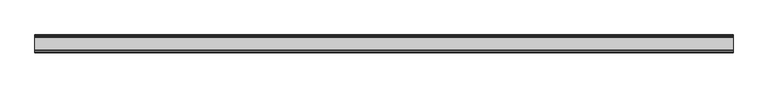
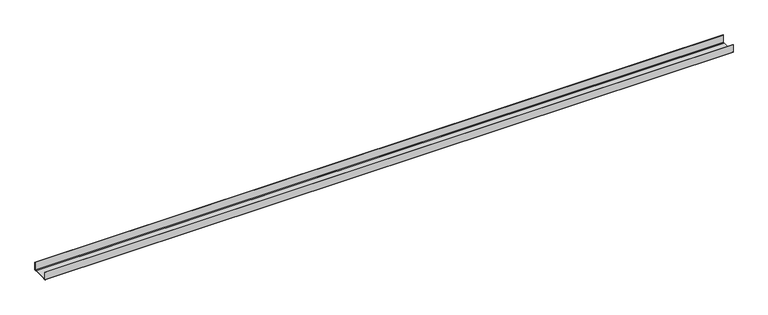
"""IFC4 building model written with IfcOpenShell, lengths in millimetres: proxy geometry."""

from ifc_helpers import new_model, si_unit, point, frame, frame_2d, origin, place, context, project, spatial, polyline, circle_curve, trimmed, segment, composite_curve, outline, extrude, source, transform, mapped, element, save


def generic_models_25d0476a(model_context):
    return source(origin(), model_context, "Body", "SweptSolid", [
        extrude(outline(composite_curve([segment(polyline([(37.25, 1.2), (37.25, 35.0), (38.05, 35.0), (38.05, 1.2)]), True, "CONTINUOUS"), segment(trimmed(circle_curve(frame_2d((36.75, 1.2)), 1.3), [point((38.05, 1.2))], [point((37.25, 0.0))], False, "CARTESIAN"), True, "CONTINUOUS"), segment(polyline([(37.25, 0.0), (29.8683346, 0.0), (28.6683346, 0.8), (-28.6683346, 0.8), (-29.8683346, 0.0), (-37.25, 0.0)]), True, "CONTINUOUS"), segment(trimmed(circle_curve(frame_2d((-36.75, 1.2)), 1.3), [point((-37.25, 0.0))], [point((-38.05, 1.2))], False, "CARTESIAN"), True, "CONTINUOUS"), segment(polyline([(-38.05, 1.2), (-38.05, 35.0), (-37.25, 35.0), (-37.25, 1.2)]), True, "CONTINUOUS"), segment(trimmed(circle_curve(frame_2d((-36.65, 1.2)), 0.6), [point((-37.25, 1.2))], [point((-36.65, 0.6))], True, "CARTESIAN"), True, "CONTINUOUS"), segment(polyline([(-36.65, 0.6), (-30.05, 0.6), (-28.85, 1.4), (28.85, 1.4), (30.05, 0.6), (36.65, 0.6)]), True, "CONTINUOUS"), segment(trimmed(circle_curve(frame_2d((36.65, 1.2)), 0.6), [point((36.65, 0.6))], [point((37.25, 1.2))], True, "CARTESIAN"), True, "CONTINUOUS")], self_intersect=False)), frame((-1500.0, 0.0, 0.0), z_axis=(1.0, 0.0, 0.0), x_axis=(0.0, 1.0, 0.0)), (0.0, 0.0, 1.0), 3000.0),
    ])


if __name__ == "__main__":
    model = new_model("IFC4")
    model_context = context("Model", 3, world=origin())
    ifc_project = project(units=[si_unit("LENGTHUNIT", "METRE", prefix="MILLI")], contexts=[model_context])
    site = spatial("IfcSite", under=ifc_project)
    building = spatial("IfcBuilding", under=site)
    placement = place(None, origin())
    generic_models_shape = generic_models_25d0476a(model_context)
    element("IfcBuildingElementProxy", 1, Name="Generic Models", at=placement, inside=building, context=model_context, shape_type="MappedRepresentation", body=[
        mapped(generic_models_shape, transform((0.0, 0.0, 0.0), x_axis=(1.0, 0.0, 0.0), y_axis=(0.0, 1.0, 0.0), z_axis=(0.0, 0.0, 1.0))),
    ])
    save(model, "model.ifc")
